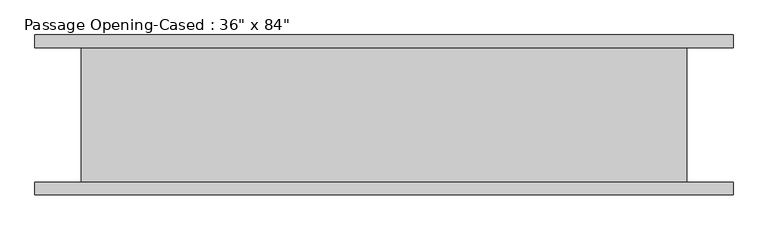
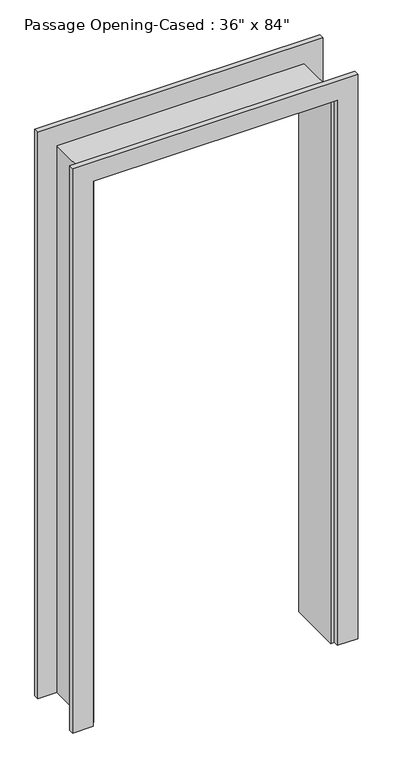
"""IFC4 building model written with IfcOpenShell, lengths in millimetres: proxy geometry."""

from ifc_helpers import new_model, si_unit, frame, origin, place, context, project, spatial, polyline, outline, extrude, faceted_brep, source, transform, mapped, element, save


def proxy_71ea9181(model_context):
    return source(origin(), model_context, "Body", "SolidModel", [
        extrude(outline(polyline([(0.0, -459.0386567), (2127.25, -459.0386567), (2127.25, 442.6613433), (0.0, 442.6613433), (0.0, 518.8613433), (2203.45, 518.8613433), (2203.45, -535.2386567), (0.0, -535.2386567), (0.0, -459.0386567)])), frame((0.0, -120.65, 0.0), z_axis=(0.0, 1.0, 0.0), x_axis=(0.0, 0.0, 1.0)), (0.0, 0.0, 1.0), 19.05),
        extrude(outline(polyline([(0.0, 518.8613433), (2209.8, 518.8613433), (2209.8, -535.2386567), (0.0, -535.2386567), (0.0, -459.0386567), (2127.25, -459.0386567), (2127.25, 442.6613433), (0.0, 442.6613433), (0.0, 518.8613433)])), frame((0.0, 101.6, 0.0), z_axis=(0.0, 1.0, 0.0), x_axis=(0.0, 0.0, 1.0)), (0.0, 0.0, 1.0), 19.05),
        faceted_brep([(429.9613433, 101.6, 0.0), (449.0113433, 101.6, 0.0), (449.0113433, -101.6, 0.0), (429.9613433, -101.6, 0.0), (429.9613433, 101.6, 2114.55), (449.0113433, 101.6, 2133.6), (449.0113433, -101.6, 2133.6), (429.9613433, -101.6, 2114.55), (-446.3386567, 101.6, 2114.55), (-465.3886567, 101.6, 2133.6), (-465.3886567, -101.6, 2133.6), (-446.3386567, -101.6, 2114.55), (-446.3386567, 101.6, 0.0), (-446.3386567, -101.6, 0.0), (-465.3886567, -101.6, 0.0), (-465.3886567, 101.6, 0.0)], [[[0, 1, 2, 3]], [[1, 0, 4, 5]], [[2, 1, 5, 6]], [[3, 2, 6, 7]], [[0, 3, 7, 4]], [[5, 4, 8, 9]], [[6, 5, 9, 10]], [[7, 6, 10, 11]], [[4, 7, 11, 8]], [[12, 13, 14, 15]], [[9, 8, 12, 15]], [[10, 9, 15, 14]], [[11, 10, 14, 13]], [[8, 11, 13, 12]]]),
    ])


if __name__ == "__main__":
    model = new_model("IFC4")
    model_context = context("Model", 3, world=origin())
    ifc_project = project(units=[si_unit("LENGTHUNIT", "METRE", prefix="MILLI")], contexts=[model_context])
    site = spatial("IfcSite", under=ifc_project)
    building = spatial("IfcBuilding", under=site)
    placement = place(None, origin())
    proxy_shape = proxy_71ea9181(model_context)
    element("IfcBuildingElementProxy", 1, Name="Passage Opening-Cased : 36\" x 84\"", ObjectType="Passage Opening-Cased : 36\" x 84\"", at=placement, inside=building, context=model_context, shape_type="MappedRepresentation", body=[
        mapped(proxy_shape, transform((0.0, 0.0, 0.0), x_axis=(1.0, 0.0, 0.0), y_axis=(0.0, 1.0, 0.0), z_axis=(0.0, 0.0, 1.0))),
    ])
    save(model, "model.ifc")
